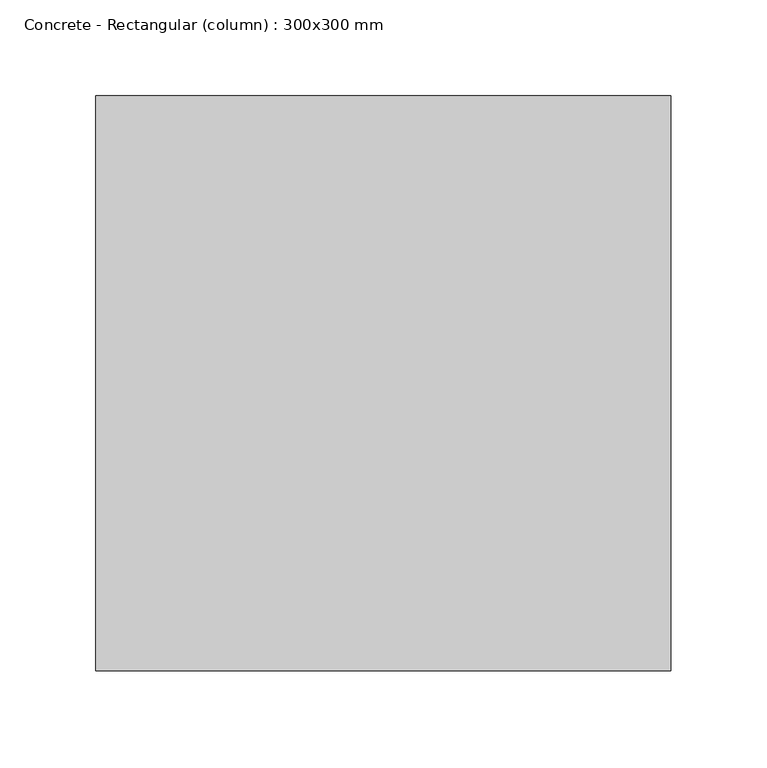
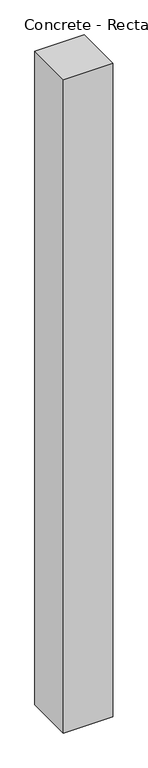
"""IFC4 building model written with IfcOpenShell, lengths in millimetres: column geometry, Concrete - Rectangular (column) : 300x300 mm."""

from ifc_helpers import new_model, si_unit, frame, origin, place, context, project, spatial, polyline, outline, extrude, source, transform, mapped, element, save


def concrete_rectangular_column_300x300_mm_919ce8d3(model_context):
    return source(origin(), model_context, "Body", "SweptSolid", [
        extrude(outline(polyline([(150.0, 150.0), (150.0, -150.0), (-150.0, -150.0), (-150.0, 150.0), (150.0, 150.0)])), frame((0.0, 0.0, -1000.0), z_axis=(0.0, 0.0, 1.0), x_axis=(1.0, 0.0, 0.0)), (0.0, 0.0, 1.0), 4200.0),
    ])


if __name__ == "__main__":
    model = new_model("IFC4")
    model_context = context("Model", 3, world=origin())
    ifc_project = project(units=[si_unit("LENGTHUNIT", "METRE", prefix="MILLI")], contexts=[model_context])
    site = spatial("IfcSite", under=ifc_project)
    building = spatial("IfcBuilding", under=site)
    placement = place(None, origin())
    concrete_rectangular_column_300x300_mm_shape = concrete_rectangular_column_300x300_mm_919ce8d3(model_context)
    element("IfcColumn", 1, ObjectType="Concrete - Rectangular (column) : 300x300 mm", at=placement, inside=building, context=model_context, shape_type="MappedRepresentation", body=[
        mapped(concrete_rectangular_column_300x300_mm_shape, transform((0.0, 0.0, 0.0), x_axis=(1.0, 0.0, 0.0), y_axis=(0.0, 1.0, 0.0), z_axis=(0.0, 0.0, 1.0))),
    ])
    save(model, "model.ifc")
